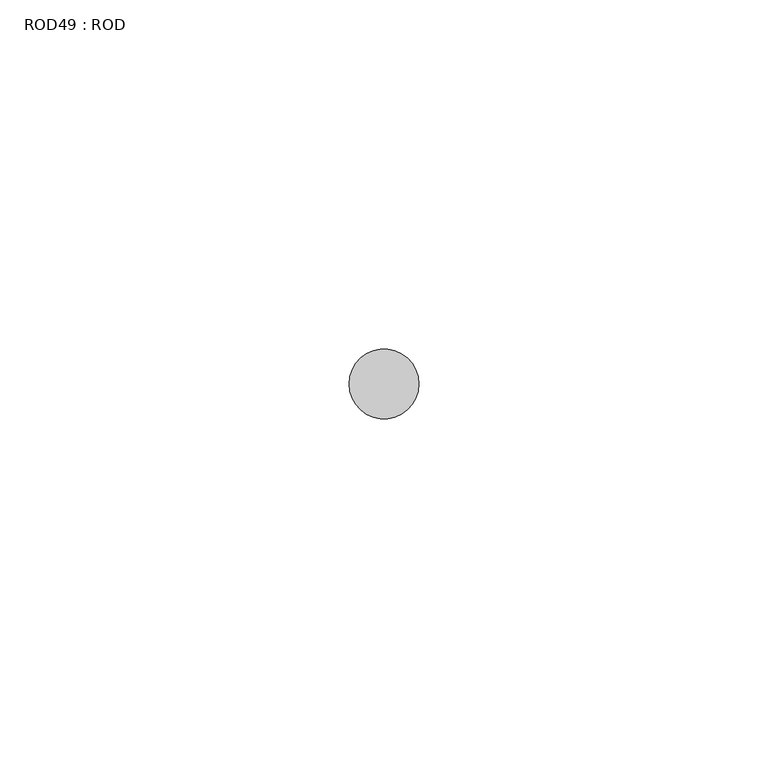
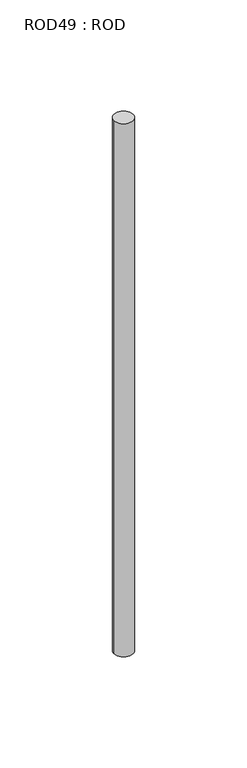
"""IFC4 building model written with IfcOpenShell, lengths in millimetres: proxy geometry, ROD49 : ROD."""

from ifc_helpers import new_model, si_unit, point, frame, frame_2d, origin, place, context, project, spatial, circle_curve, trimmed, segment, composite_curve, outline, extrude, source, transform, mapped, element, save


def rod49_rod_d8803bb4(model_context):
    return source(origin(), model_context, "Body", "SweptSolid", [
        extrude(outline(composite_curve([segment(trimmed(circle_curve(frame_2d((4532.7784384, -1114.6300853)), 5.0), [point((4527.7784384, -1114.6300853))], [point((4537.7784384, -1114.6300853))], False, "CARTESIAN"), True, "CONTINUOUS"), segment(trimmed(circle_curve(frame_2d((4532.7784384, -1114.6300853)), 5.0), [point((4537.7784384, -1114.6300853))], [point((4527.7784384, -1114.6300853))], False, "CARTESIAN"), True, "CONTINUOUS")], self_intersect=False)), frame((0.0, 0.0, -208.6608845), z_axis=(0.0, 0.0, 1.0), x_axis=(1.0, 0.0, 0.0)), (0.0, 0.0, 1.0), 298.9028972),
    ])


if __name__ == "__main__":
    model = new_model("IFC4")
    model_context = context("Model", 3, world=origin())
    ifc_project = project(units=[si_unit("LENGTHUNIT", "METRE", prefix="MILLI")], contexts=[model_context])
    site = spatial("IfcSite", under=ifc_project)
    building = spatial("IfcBuilding", under=site)
    placement = place(None, origin())
    rod49_rod_shape = rod49_rod_d8803bb4(model_context)
    element("IfcBuildingElementProxy", 1, Name="ROD49 : ROD", ObjectType="ROD49 : ROD", at=placement, inside=building, context=model_context, shape_type="MappedRepresentation", body=[
        mapped(rod49_rod_shape, transform((0.0, 0.0, 0.0), x_axis=(1.0, 0.0, 0.0), y_axis=(0.0, 1.0, 0.0), z_axis=(0.0, 0.0, 1.0))),
    ])
    save(model, "model.ifc")
